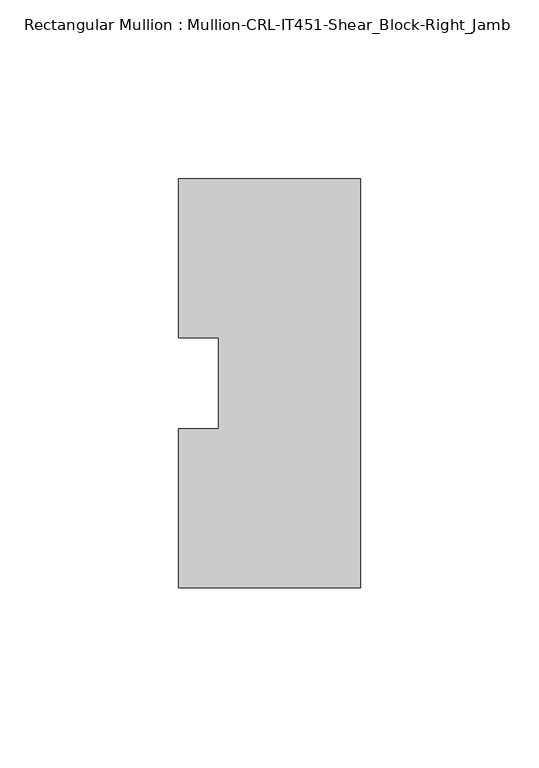
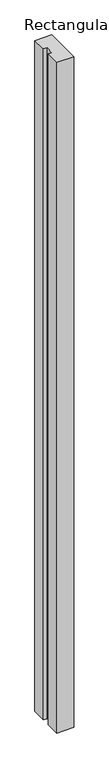
"""IFC4 building model written with IfcOpenShell, lengths in millimetres: member geometry, Rectangular Mullion : Mullion-CRL-IT451-Shear_Block-Right_Jamb."""

from ifc_helpers import new_model, si_unit, frame, origin, place, context, project, spatial, polyline, outline, extrude, source, transform, mapped, element, save


def rectangular_mullion_mullion_crl_it451_shear_block_right_jamb_b79e6dd9(model_context):
    return source(origin(), model_context, "Body", "SweptSolid", [
        extrude(outline(polyline([(0.0, -57.1909821), (-50.8, -57.1909821), (-50.8, -12.7), (-39.6875, -12.7), (-39.6875, 12.7), (-50.8, 12.7), (-50.8, 57.1090179), (0.0, 57.1090179), (0.0, 0.7488495), (0.0, -57.1909821)])), frame((0.0, 0.0, -2133.6), z_axis=(0.0, 0.0, 1.0), x_axis=(1.0, 0.0, 0.0)), (0.0, 0.0, 1.0), 2133.6),
    ])


if __name__ == "__main__":
    model = new_model("IFC4")
    model_context = context("Model", 3, world=origin())
    ifc_project = project(units=[si_unit("LENGTHUNIT", "METRE", prefix="MILLI")], contexts=[model_context])
    site = spatial("IfcSite", under=ifc_project)
    building = spatial("IfcBuilding", under=site)
    placement = place(None, origin())
    rectangular_mullion_mullion_crl_it451_shear_block_right_jamb_shape = rectangular_mullion_mullion_crl_it451_shear_block_right_jamb_b79e6dd9(model_context)
    element("IfcMember", 1, ObjectType="Rectangular Mullion : Mullion-CRL-IT451-Shear_Block-Right_Jamb", at=placement, inside=building, context=model_context, shape_type="MappedRepresentation", body=[
        mapped(rectangular_mullion_mullion_crl_it451_shear_block_right_jamb_shape, transform((0.0, 0.0, 0.0), x_axis=(1.0, 0.0, 0.0), y_axis=(0.0, 1.0, 0.0), z_axis=(0.0, 0.0, 1.0))),
    ])
    save(model, "model.ifc")
